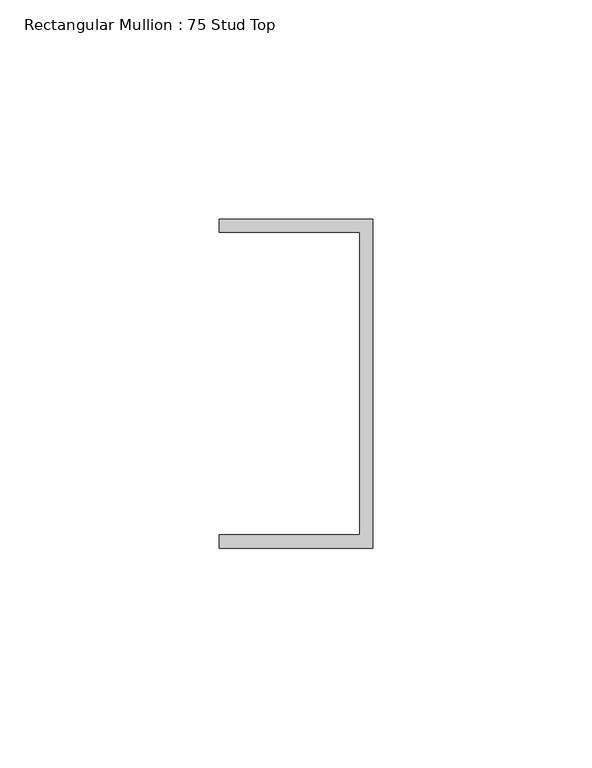
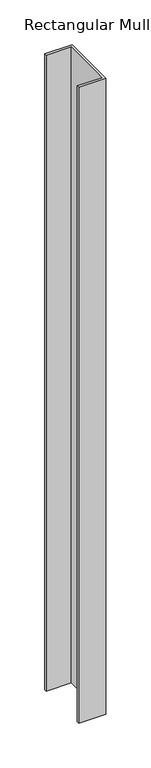
"""IFC4 building model written with IfcOpenShell, lengths in millimetres: member geometry, Rectangular Mullion : 75 Stud Top."""

from ifc_helpers import new_model, si_unit, frame, origin, place, context, project, spatial, polyline, outline, extrude, source, transform, mapped, element, save


def rectangular_mullion_75_stud_top_a51a1514(model_context):
    return source(origin(), model_context, "Body", "SweptSolid", [
        extrude(outline(polyline([(0.0, 37.5), (0.0, -37.5), (-35.0, -37.5), (-35.0, -34.5), (-3.0, -34.5), (-3.0, 34.5), (-35.0, 34.5), (-35.0, 37.5), (0.0, 37.5)])), frame((0.0, 0.0, -865.0), z_axis=(0.0, 0.0, 1.0), x_axis=(1.0, 0.0, 0.0)), (0.0, 0.0, 1.0), 865.0),
    ])


if __name__ == "__main__":
    model = new_model("IFC4")
    model_context = context("Model", 3, world=origin())
    ifc_project = project(units=[si_unit("LENGTHUNIT", "METRE", prefix="MILLI")], contexts=[model_context])
    site = spatial("IfcSite", under=ifc_project)
    building = spatial("IfcBuilding", under=site)
    placement = place(None, origin())
    rectangular_mullion_75_stud_top_shape = rectangular_mullion_75_stud_top_a51a1514(model_context)
    element("IfcMember", 1, ObjectType="Rectangular Mullion : 75 Stud Top", at=placement, inside=building, context=model_context, shape_type="MappedRepresentation", body=[
        mapped(rectangular_mullion_75_stud_top_shape, transform((0.0, 0.0, 0.0), x_axis=(1.0, 0.0, 0.0), y_axis=(0.0, 1.0, 0.0), z_axis=(0.0, 0.0, 1.0))),
    ])
    save(model, "model.ifc")
